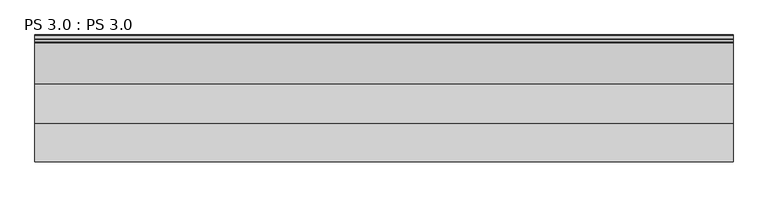
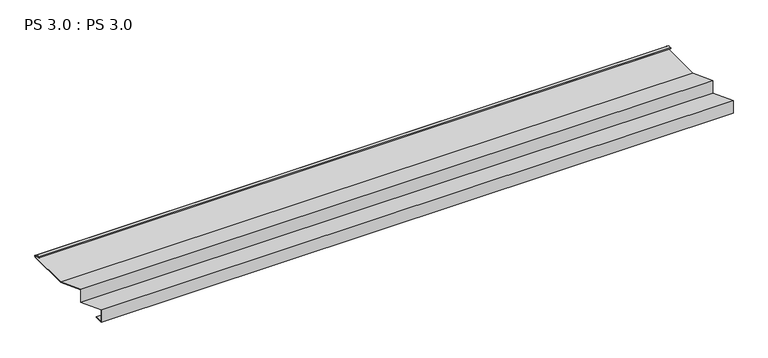
"""IFC4 building model written with IfcOpenShell, lengths in millimetres: proxy geometry, PS 3.0 : PS 3.0."""

from ifc_helpers import new_model, si_unit, point, frame, frame_2d, origin, place, context, project, spatial, polyline, circle_curve, trimmed, segment, composite_curve, outline, extrude, source, transform, mapped, element, save


def ps_3_0_ps_3_0_1f8df93d(model_context):
    return source(origin(), model_context, "Body", "SweptSolid", [
        extrude(outline(composite_curve([segment(polyline([(0.0, 0.0), (0.0, 38.0), (100.0, 0.0), (100.0, 38.0), (200.0, 0.0), (325.0510156, 0.0)]), True, "CONTINUOUS"), segment(trimmed(circle_curve(frame_2d((324.3094696, 1.9153551)), 2.0538928), [point((325.0510156, 0.0))], [point((325.1748462, 3.778041))], True, "CARTESIAN"), True, "CONTINUOUS"), segment(polyline([(325.1748462, 3.778041), (308.7874714, 6.923107)]), True, "CONTINUOUS"), segment(trimmed(circle_curve(frame_2d((309.4078886, 8.6005442)), 1.7884947), [point((308.7874714, 6.923107))], [point((308.9525789, 10.3301125))], False, "CARTESIAN"), True, "CONTINUOUS"), segment(polyline([(308.9525789, 10.3301125), (316.459338, 11.6715995), (316.635255, 10.6871945), (309.1762081, 9.3542338)]), True, "CONTINUOUS"), segment(trimmed(circle_curve(frame_2d((309.4078886, 8.6005442)), 0.7884947), [point((309.1762081, 9.3542338))], [point((309.0735117, 7.8864603))], True, "CARTESIAN"), True, "CONTINUOUS"), segment(polyline([(309.0735117, 7.8864603), (325.4722719, 4.7392091)]), True, "CONTINUOUS"), segment(trimmed(circle_curve(frame_2d((324.3094696, 1.9153551)), 3.0538928), [point((325.4722719, 4.7392091))], [point((325.2188462, -1.0))], False, "CARTESIAN"), True, "CONTINUOUS"), segment(polyline([(325.2188462, -1.0), (199.8164044, -1.0), (101.0, 36.5502337), (101.0, -1.4497663), (1.0, 36.5502337), (1.0, 1.0), (25.0, 1.0), (25.0, 0.0), (0.0, 0.0)]), True, "CONTINUOUS")], self_intersect=False)), frame((0.0, 0.0, 0.0), z_axis=(1.0, 0.0, 0.0), x_axis=(0.0, 1.0, 0.0)), (0.0, 0.0, 1.0), 1800.0),
    ])


if __name__ == "__main__":
    model = new_model("IFC4")
    model_context = context("Model", 3, world=origin())
    ifc_project = project(units=[si_unit("LENGTHUNIT", "METRE", prefix="MILLI")], contexts=[model_context])
    site = spatial("IfcSite", under=ifc_project)
    building = spatial("IfcBuilding", under=site)
    placement = place(None, origin())
    ps_3_0_ps_3_0_shape = ps_3_0_ps_3_0_1f8df93d(model_context)
    element("IfcBuildingElementProxy", 1, Name="PS 3.0 : PS 3.0", ObjectType="PS 3.0 : PS 3.0", at=placement, inside=building, context=model_context, shape_type="MappedRepresentation", body=[
        mapped(ps_3_0_ps_3_0_shape, transform((0.0, 0.0, 0.0), x_axis=(1.0, 0.0, 0.0), y_axis=(0.0, 1.0, 0.0), z_axis=(0.0, 0.0, 1.0))),
    ])
    save(model, "model.ifc")
